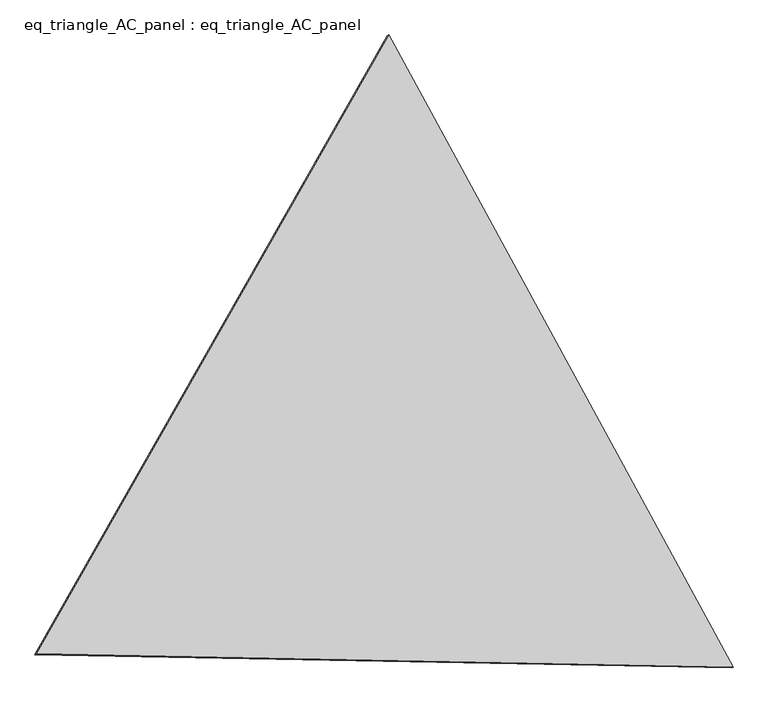
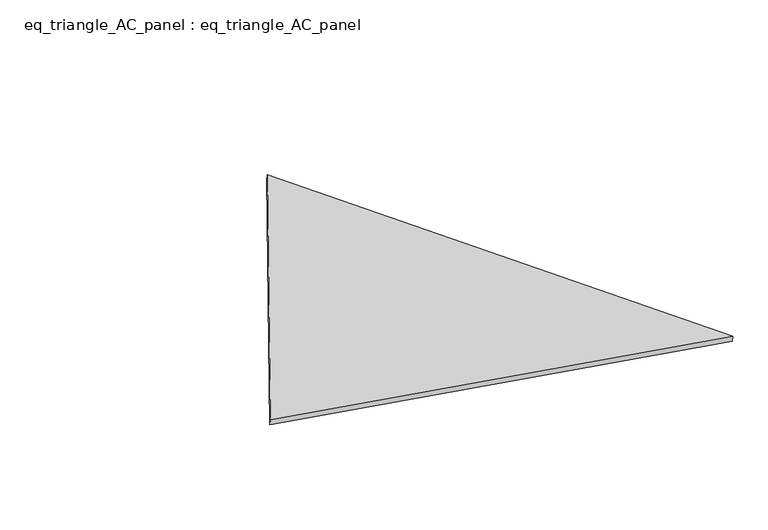
"""IFC4 building model written with IfcOpenShell, lengths in millimetres: proxy geometry, eq_triangle_AC_panel : eq_triangle_AC_panel."""

from ifc_helpers import new_model, si_unit, frame, origin, place, context, project, spatial, polyline, outline, extrude, source, transform, mapped, element, save


def eq_triangle_ac_panel_eq_triangle_ac_panel_94ddbb86(model_context):
    return source(origin(), model_context, "Body", "SweptSolid", [
        extrude(outline(polyline([(-2091.2806317, 1173.1764347), (2032.8117098, 1173.1764347), (58.4689218, -2346.3528694), (-2091.2806317, 1173.1764347)])), frame((0.0038051, 527.9290861, 89.8240019), z_axis=(0.14526328518067022, 0.08386570281801985, 0.9858321976225767), x_axis=(0.4785794525142128, -0.878034320372409, 0.004176108159301093)), (0.0, 0.0, 1.0), 43.8306294),
    ])


if __name__ == "__main__":
    model = new_model("IFC4")
    model_context = context("Model", 3, world=origin())
    ifc_project = project(units=[si_unit("LENGTHUNIT", "METRE", prefix="MILLI")], contexts=[model_context])
    site = spatial("IfcSite", under=ifc_project)
    building = spatial("IfcBuilding", under=site)
    placement = place(None, origin())
    eq_triangle_ac_panel_eq_triangle_ac_panel_shape = eq_triangle_ac_panel_eq_triangle_ac_panel_94ddbb86(model_context)
    element("IfcBuildingElementProxy", 1, Name="eq_triangle_AC_panel : eq_triangle_AC_panel", ObjectType="eq_triangle_AC_panel : eq_triangle_AC_panel", at=placement, inside=building, context=model_context, shape_type="MappedRepresentation", body=[
        mapped(eq_triangle_ac_panel_eq_triangle_ac_panel_shape, transform((0.0, 0.0, 0.0), x_axis=(1.0, 0.0, 0.0), y_axis=(0.0, 1.0, 0.0), z_axis=(0.0, 0.0, 1.0))),
    ])
    save(model, "model.ifc")
